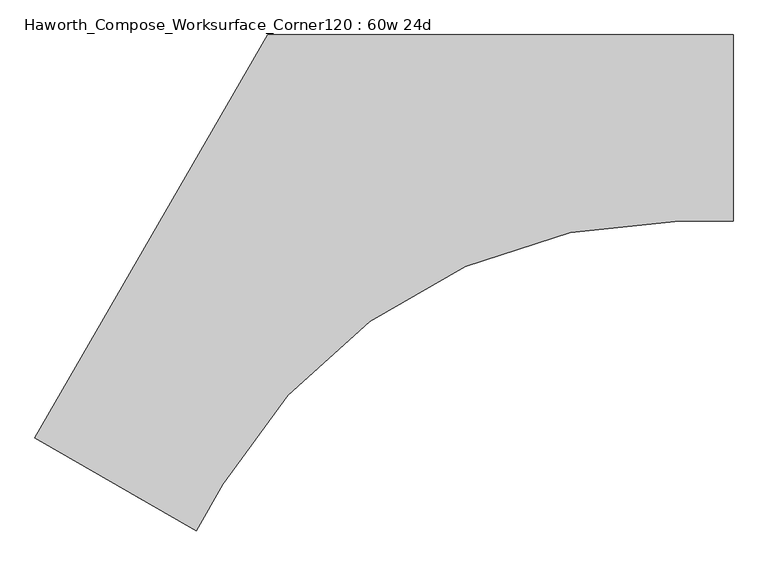
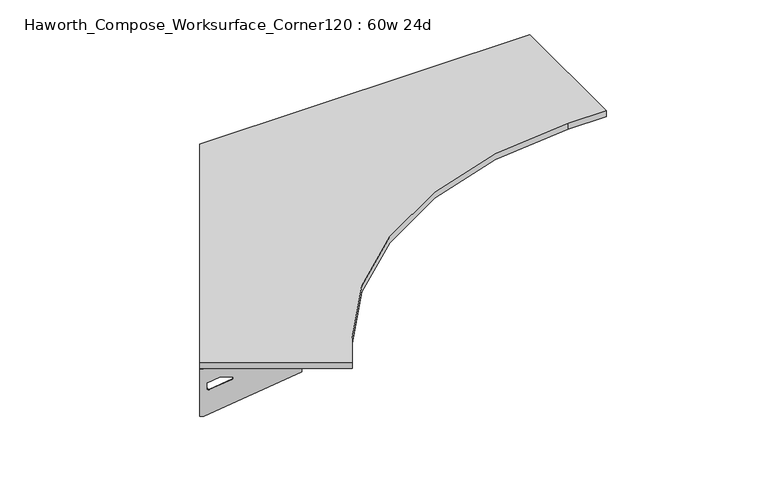
"""IFC4 building model written with IfcOpenShell, lengths in millimetres: furniture geometry, Haworth_Compose_Worksurface_Corner120 : 60w 24d."""

from ifc_helpers import new_model, si_unit, point, frame, frame_2d, origin, place, context, project, spatial, polyline, circle_curve, trimmed, segment, composite_curve, outline, extrude, source, transform, mapped, element, save
from ifc_brep_helpers import plane_surface, revolved_surface, advanced_brep


def haworth_compose_worksurface_corner120_60w_24d_9db3a5e5(model_context):
    return source(origin(), model_context, "Body", "SolidModel", [
        advanced_brep(
        [(759.61875, 304.8, 473.86875), (759.61875, 288.925, 473.86875), (759.61875, -101.6, 690.1317568), (759.61875, -101.6, 702.46875), (759.61875, 288.925, 702.46875), (759.61875, 304.8, 702.46875), (759.61875, 221.490072, 664.36875), (759.61875, 177.8355284, 664.36875), (759.61875, 175.1564235, 654.7830539), (759.61875, 266.8776173, 603.9901439), (759.61875, 276.225, 609.5881969), (759.61875, 276.225, 633.0985246), (759.61875, 274.4730055, 635.9367776), (759.61875, 224.5663437, 663.5738425), (762.0, 304.8, 473.86875), (762.0, 304.8, 702.46875), (762.0, 288.925, 702.46875), (762.0, 288.925, 704.85), (762.0, -101.6, 704.85), (762.0, -101.6, 690.1317568), (762.0, 288.925, 473.86875), (762.0, 221.490072, 664.36875), (762.0, 224.5663437, 663.5738425), (762.0, 274.4730055, 635.9367776), (762.0, 276.225, 633.0985246), (762.0, 276.225, 609.5881969), (762.0, 266.8776173, 603.9901439), (762.0, 175.1564235, 654.7830539), (762.0, 177.8355284, 664.36875), (720.725, -101.6, 704.85), (720.725, -101.6, 702.46875), (720.725, 288.925, 702.46875), (720.725, 288.925, 704.85)],
        [
            (0, 1),
            (1, 2),
            (2, 3),
            (3, 4),
            (4, 5),
            (5, 0),
            (6, 7),
            (7, 8, circle_curve(frame((759.61875, 177.8355284, 659.2015106), z_axis=(1.0, 0.0, 0.0), x_axis=(0.0, -1.0, 0.0)), 5.1672394)),
            (8, 9),
            (9, 10, circle_curve(frame((759.61875, 269.875, 609.5881969), z_axis=(1.0, 0.0, 0.0), x_axis=(0.0, -1.0, 0.0)), 6.35)),
            (10, 11),
            (11, 12, circle_curve(frame((759.61875, 273.05, 633.0985246), z_axis=(1.0, 0.0, 0.0), x_axis=(0.0, -1.0, 0.0)), 3.175)),
            (12, 13),
            (13, 6, circle_curve(frame((759.61875, 221.490072, 658.01875), z_axis=(1.0, 0.0, 0.0), x_axis=(0.0, -1.0, 0.0)), 6.35)),
            (14, 15),
            (15, 16),
            (16, 17),
            (17, 18),
            (18, 19),
            (19, 20),
            (20, 14),
            (21, 22, circle_curve(frame((762.0, 221.490072, 658.01875), z_axis=(-1.0, 0.0, 0.0), x_axis=(0.0, -1.0, 0.0)), 6.35)),
            (22, 23),
            (23, 24, circle_curve(frame((762.0, 273.05, 633.0985246), z_axis=(-1.0, 0.0, 0.0), x_axis=(0.0, -1.0, 0.0)), 3.175)),
            (24, 25),
            (25, 26, circle_curve(frame((762.0, 269.875, 609.5881969), z_axis=(-1.0, 0.0, 0.0), x_axis=(0.0, -1.0, 0.0)), 6.35)),
            (26, 27),
            (27, 28, circle_curve(frame((762.0, 177.8355284, 659.2015106), z_axis=(-1.0, 0.0, 0.0), x_axis=(0.0, -1.0, 0.0)), 5.1672394)),
            (28, 21),
            (4, 16),
            (15, 5),
            (14, 0),
            (20, 1),
            (19, 2),
            (18, 29),
            (29, 30),
            (30, 3),
            (6, 21),
            (28, 7),
            (9, 26),
            (25, 10),
            (24, 11),
            (23, 12),
            (27, 8),
            (31, 4),
            (30, 31),
            (32, 29),
            (17, 32),
            (31, 32),
            (22, 13),
        ],
        [
            plane_surface(frame((759.61875, 304.8, 473.86875), z_axis=(-1.0, 0.0, 0.0), x_axis=(0.0, 1.0, 0.0))),
            plane_surface(frame((762.0, 304.8, 473.86875), z_axis=(1.0, 0.0, 0.0), x_axis=(0.0, -1.0, 0.0))),
            plane_surface(frame((762.0, -101.6, 702.46875), z_axis=(0.0, 0.0, 1.0), x_axis=(-1.0, 0.0, 0.0))),
            plane_surface(frame((762.0, 304.8, 702.46875), z_axis=(0.0, 1.0, 0.0), x_axis=(-1.0, 0.0, 0.0))),
            plane_surface(frame((762.0, 304.8, 473.86875), z_axis=(0.0, 0.0, -1.0), x_axis=(-1.0, 0.0, 0.0))),
            plane_surface(frame((762.0, 288.925, 473.86875), z_axis=(0.0, -0.4844522351345575, -0.8748177135112957), x_axis=(-1.0, 0.0, 0.0))),
            plane_surface(frame((762.0, -101.6, 690.1317568), z_axis=(0.0, -1.0, 0.0), x_axis=(-1.0, 0.0, 0.0))),
            plane_surface(frame((762.0, 221.490072, 664.36875), z_axis=(0.0, 0.0, -1.0), x_axis=(-1.0, 0.0, 0.0))),
            revolved_surface(polyline([(759.61875, 263.525, 609.5881969), (762.0, 263.525, 609.5881969)]), (762.0, 269.875, 609.5881969), (-1.0, 0.0, 0.0)),
            plane_surface(frame((762.0, 276.225, 609.5881969), z_axis=(0.0, -1.0, 0.0), x_axis=(-1.0, 0.0, 0.0))),
            revolved_surface(polyline([(759.61875, 269.875, 633.0985246), (762.0, 269.875, 633.0985246)]), (762.0, 273.05, 633.0985246), (-1.0, 0.0, 0.0)),
            revolved_surface(polyline([(759.61875, 172.668289, 659.2015106), (762.0, 172.668289, 659.2015106)]), (762.0, 177.8355284, 659.2015106), (-1.0, 0.0, 0.0)),
            plane_surface(frame((762.0, 288.925, 702.46875), z_axis=(0.0, 0.0, -1.0), x_axis=(-1.0, 0.0, 0.0))),
            plane_surface(frame((762.0, 288.925, 704.85), z_axis=(0.0, 0.0, 1.0), x_axis=(1.0, 0.0, 0.0))),
            plane_surface(frame((720.725, 288.925, 704.85), z_axis=(0.0, 1.0, 0.0), x_axis=(0.0, 0.0, -1.0))),
            plane_surface(frame((720.725, -101.6, 704.85), z_axis=(-1.0, 0.0, 0.0), x_axis=(0.0, 0.0, -1.0))),
            plane_surface(frame((762.0, 175.1564235, 654.7830539), z_axis=(0.0, 0.4844522351341526, 0.8748177135115199), x_axis=(-1.0, 0.0, 0.0))),
            plane_surface(frame((762.0, 274.4730055, 635.9367776), z_axis=(0.0, -0.48445223513456226, -0.874817713511293), x_axis=(-1.0, 0.0, 0.0))),
            revolved_surface(polyline([(759.61875, 215.140072, 658.01875), (762.0, 215.140072, 658.01875)]), (762.0, 221.490072, 658.01875), (-1.0, 0.0, 0.0)),
        ],
        [
            (0, [[1, 2, 3, 4, 5, 6], [7, 8, 9, 10, 11, 12, 13, 14]]),
            (1, [[15, 16, 17, 18, 19, 20, 21], [22, 23, 24, 25, 26, 27, 28, 29]]),
            (2, [[-5, 30, -16, 31]]),
            (3, [[-31, -15, 32, -6]]),
            (4, [[-32, -21, 33, -1]]),
            (5, [[-33, -20, 34, -2]]),
            (6, [[-34, -19, 35, 36, 37, -3]]),
            (7, [[38, -29, 39, -7]]),
            (8, [[40, -26, 41, -10]]),
            (9, [[-41, -25, 42, -11]]),
            (10, [[-42, -24, 43, -12]]),
            (11, [[-39, -28, 44, -8]]),
            (12, [[45, -4, -37, 46]]),
            (13, [[47, -35, -18, 48]]),
            (14, [[-17, -30, -45, 49, -48]]),
            (15, [[-36, -47, -49, -46]]),
            (16, [[-44, -27, -40, -9]]),
            (17, [[-43, -23, 50, -13]]),
            (18, [[-50, -22, -38, -14]]),
        ],
    ),
        advanced_brep(
        [(-1522.809375, -1012.9604924, 473.86875), (-1522.809375, -1012.9604924, 702.46875), (-1509.0612217, -1020.8979924, 702.46875), (-1170.8566509, -1216.1604924, 702.46875), (-1170.8566509, -1216.1604924, 690.1317568), (-1509.0612217, -1020.8979924, 473.86875), (-1450.660861, -1054.6154564, 664.36875), (-1453.3249904, -1053.0773205, 663.5738425), (-1496.5454274, -1028.1239896, 635.9367776), (-1498.0626991, -1027.2479924, 633.0985246), (-1498.0626991, -1027.2479924, 609.5881969), (-1489.9676282, -1031.9216837, 603.9901439), (-1410.5347443, -1077.7822806, 654.7830539), (-1412.8549172, -1076.4427282, 664.36875), (-1524.0, -1015.0227154, 473.86875), (-1510.2518467, -1022.9602154, 473.86875), (-1172.0472759, -1218.2227154, 690.1317568), (-1172.0472759, -1218.2227154, 704.85), (-1510.2518467, -1022.9602154, 704.85), (-1510.2518467, -1022.9602154, 702.46875), (-1524.0, -1015.0227154, 702.46875), (-1451.851486, -1056.6776794, 664.36875), (-1414.0455422, -1078.5049512, 664.36875), (-1411.7253693, -1079.8445036, 654.7830539), (-1491.1582532, -1033.9839067, 603.9901439), (-1499.2533241, -1029.3102154, 609.5881969), (-1499.2533241, -1029.3102154, 633.0985246), (-1497.7360524, -1030.1862126, 635.9367776), (-1454.5156154, -1055.1395435, 663.5738425), (-1151.4097759, -1182.4775168, 702.46875), (-1151.4097759, -1182.4775168, 704.85), (-1489.6143467, -987.2150168, 702.46875), (-1489.6143467, -987.2150168, 704.85)],
        [
            (0, 1),
            (1, 2),
            (2, 3),
            (3, 4),
            (4, 5),
            (5, 0),
            (6, 7, circle_curve(frame((-1450.660861, -1054.6154564, 658.01875), z_axis=(-0.5000000000000026, -0.8660254037844374, 0.0), x_axis=(0.8660254037844372, -0.5000000000000024, 0.0)), 6.35)),
            (7, 8),
            (8, 9, circle_curve(frame((-1495.3130684, -1028.8354924, 633.0985246), z_axis=(-0.5000000000000026, -0.8660254037844374, 0.0), x_axis=(0.8660254037844372, -0.5000000000000024, 0.0)), 3.175)),
            (9, 10),
            (10, 11, circle_curve(frame((-1492.5634378, -1030.4229924, 609.5881969), z_axis=(-0.5000000000000026, -0.8660254037844374, 0.0), x_axis=(0.8660254037844372, -0.5000000000000024, 0.0)), 6.35)),
            (11, 12),
            (12, 13, circle_curve(frame((-1412.8549172, -1076.4427282, 659.2015106), z_axis=(-0.5000000000000026, -0.8660254037844374, 0.0), x_axis=(0.8660254037844372, -0.5000000000000024, 0.0)), 5.1672394)),
            (13, 6),
            (14, 15),
            (15, 16),
            (16, 17),
            (17, 18),
            (18, 19),
            (19, 20),
            (20, 14),
            (21, 22),
            (22, 23, circle_curve(frame((-1414.0455422, -1078.5049512, 659.2015106), z_axis=(0.5000000000000026, 0.8660254037844374, 0.0), x_axis=(0.8660254037844372, -0.5000000000000024, 0.0)), 5.1672394)),
            (23, 24),
            (24, 25, circle_curve(frame((-1493.7540628, -1032.4852154, 609.5881969), z_axis=(0.5000000000000026, 0.8660254037844374, 0.0), x_axis=(0.8660254037844372, -0.5000000000000024, 0.0)), 6.35)),
            (25, 26),
            (26, 27, circle_curve(frame((-1496.5036934, -1030.8977154, 633.0985246), z_axis=(0.5000000000000026, 0.8660254037844374, 0.0), x_axis=(0.8660254037844372, -0.5000000000000024, 0.0)), 3.175)),
            (27, 28),
            (28, 21, circle_curve(frame((-1451.851486, -1056.6776794, 658.01875), z_axis=(0.5000000000000026, 0.8660254037844374, 0.0), x_axis=(0.8660254037844372, -0.5000000000000024, 0.0)), 6.35)),
            (1, 20),
            (19, 2),
            (0, 14),
            (5, 15),
            (4, 16),
            (3, 29),
            (29, 30),
            (30, 17),
            (13, 22),
            (21, 6),
            (10, 25),
            (24, 11),
            (9, 26),
            (8, 27),
            (12, 23),
            (31, 29),
            (2, 31),
            (32, 18),
            (30, 32),
            (32, 31),
            (7, 28),
        ],
        [
            plane_surface(frame((-1522.809375, -1012.9604924, 473.86875), z_axis=(0.5000000000000026, 0.8660254037844373, 0.0), x_axis=(-0.8660254037844373, 0.5000000000000026, 0.0))),
            plane_surface(frame((-1524.0, -1015.0227154, 473.86875), z_axis=(-0.5000000000000026, -0.8660254037844373, 0.0), x_axis=(0.8660254037844373, -0.5000000000000026, 0.0))),
            plane_surface(frame((-1172.0472759, -1218.2227154, 702.46875), z_axis=(0.0, 0.0, 1.0), x_axis=(0.5000000000000011, 0.866025403784438, 0.0))),
            plane_surface(frame((-1524.0, -1015.0227154, 702.46875), z_axis=(-0.866025403784438, 0.5000000000000011, 0.0), x_axis=(0.5000000000000011, 0.866025403784438, 0.0))),
            plane_surface(frame((-1524.0, -1015.0227154, 473.86875), z_axis=(0.0, 0.0, -1.0), x_axis=(0.5000000000000011, 0.866025403784438, 0.0))),
            plane_surface(frame((-1510.2518467, -1022.9602154, 473.86875), z_axis=(0.41954794254667943, -0.24222611756727808, -0.8748177135112957), x_axis=(0.5000000000000011, 0.866025403784438, 0.0))),
            plane_surface(frame((-1172.0472759, -1218.2227154, 690.1317568), z_axis=(0.866025403784438, -0.5000000000000011, 0.0), x_axis=(0.5000000000000011, 0.866025403784438, 0.0))),
            plane_surface(frame((-1451.851486, -1056.6776794, 664.36875), z_axis=(0.0, 0.0, -1.0), x_axis=(0.5000000000000011, 0.866025403784438, 0.0))),
            revolved_surface(polyline([(-1487.0641764519498, -1033.5979923483158, 609.5881969), (-1488.2548014859688, -1035.6602154, 609.5881969)]), (-1493.7540628, -1032.4852154, 609.5881969), (0.5000000000000024, 0.8660254037844372, 0.0)),
            plane_surface(frame((-1499.2533241, -1029.3102154, 609.5881969), z_axis=(0.866025403784438, -0.5000000000000011, 0.0), x_axis=(0.5000000000000011, 0.866025403784438, 0.0))),
            revolved_surface(polyline([(-1492.56343773985, -1030.4229924018098, 633.0985246), (-1493.7540627537305, -1032.485215418613, 633.0985246)]), (-1496.5036934, -1030.8977154, 633.0985246), (0.5000000000000024, 0.8660254037844372, 0.0)),
            revolved_surface(polyline([(-1408.3799565880802, -1079.0263478655236, 659.2015106), (-1409.5705816121642, -1081.0885709000001, 659.2015106)]), (-1414.0455422, -1078.5049512, 659.2015106), (0.5000000000000024, 0.8660254037844372, 0.0)),
            plane_surface(frame((-1510.2518467, -1022.9602154, 702.46875), z_axis=(0.0, 0.0, -1.0), x_axis=(0.5000000000000011, 0.866025403784438, 0.0))),
            plane_surface(frame((-1510.2518467, -1022.9602154, 704.85), z_axis=(0.0, 0.0, 1.0), x_axis=(-0.5000000000000011, -0.866025403784438, 0.0))),
            plane_surface(frame((-1489.6143467, -987.2150168, 704.85), z_axis=(-0.866025403784438, 0.5000000000000011, 0.0), x_axis=(0.0, 0.0, -1.0))),
            plane_surface(frame((-1151.4097759, -1182.4775168, 704.85), z_axis=(0.5000000000000011, 0.866025403784438, 0.0), x_axis=(0.0, 0.0, -1.0))),
            plane_surface(frame((-1411.7253693, -1079.8445036, 654.7830539), z_axis=(-0.41954794254632877, 0.24222611756707563, 0.87481771351152), x_axis=(0.5000000000000011, 0.866025403784438, 0.0))),
            plane_surface(frame((-1497.7360524, -1030.1862126, 635.9367776), z_axis=(0.4195479425466836, -0.24222611756728046, -0.874817713511293), x_axis=(0.5000000000000011, 0.866025403784438, 0.0))),
            revolved_surface(polyline([(-1445.161599650898, -1057.790456346494, 658.01875), (-1446.3522246859688, -1059.8526794, 658.01875)]), (-1451.851486, -1056.6776794, 658.01875), (0.5000000000000024, 0.8660254037844372, 0.0)),
        ],
        [
            (0, [[1, 2, 3, 4, 5, 6], [7, 8, 9, 10, 11, 12, 13, 14]]),
            (1, [[15, 16, 17, 18, 19, 20, 21], [22, 23, 24, 25, 26, 27, 28, 29]]),
            (2, [[30, -20, 31, -2]]),
            (3, [[-1, 32, -21, -30]]),
            (4, [[-6, 33, -15, -32]]),
            (5, [[-5, 34, -16, -33]]),
            (6, [[-4, 35, 36, 37, -17, -34]]),
            (7, [[-14, 38, -22, 39]]),
            (8, [[-11, 40, -25, 41]]),
            (9, [[-10, 42, -26, -40]]),
            (10, [[-9, 43, -27, -42]]),
            (11, [[-13, 44, -23, -38]]),
            (12, [[45, -35, -3, 46]]),
            (13, [[47, -18, -37, 48]]),
            (14, [[-47, 49, -46, -31, -19]]),
            (15, [[-45, -49, -48, -36]]),
            (16, [[-12, -41, -24, -44]]),
            (17, [[-8, 50, -28, -43]]),
            (18, [[-7, -39, -29, -50]]),
        ],
    ),
        extrude(outline(composite_curve([segment(polyline([(-1524.0, -1015.0227154), (-762.0, 304.8), (762.0, 304.8), (762.0, -304.8), (587.152109, -304.8)]), True, "CONTINUOUS"), segment(trimmed(circle_curve(frame_2d((587.152109, -2032.0)), 1727.2), [point((587.152109, -304.8))], [point((-908.6469684, -1168.4))], True, "CARTESIAN"), True, "CONTINUOUS"), segment(polyline([(-908.6469684, -1168.4), (-996.0709139, -1319.8227154), (-1524.0, -1015.0227154)]), True, "CONTINUOUS")], self_intersect=False)), frame((0.0, 0.0, 706.4375), z_axis=(0.0, 0.0, 1.0), x_axis=(1.0, 0.0, 0.0)), (0.0, 0.0, 1.0), 30.1625),
    ])


if __name__ == "__main__":
    model = new_model("IFC4")
    model_context = context("Model", 3, world=origin())
    ifc_project = project(units=[si_unit("LENGTHUNIT", "METRE", prefix="MILLI")], contexts=[model_context])
    site = spatial("IfcSite", under=ifc_project)
    building = spatial("IfcBuilding", under=site)
    placement = place(None, origin())
    haworth_compose_worksurface_corner120_60w_24d_shape = haworth_compose_worksurface_corner120_60w_24d_9db3a5e5(model_context)
    element("IfcFurniture", 1, ObjectType="Haworth_Compose_Worksurface_Corner120 : 60w 24d", at=placement, inside=building, context=model_context, shape_type="MappedRepresentation", body=[
        mapped(haworth_compose_worksurface_corner120_60w_24d_shape, transform((0.0, 0.0, 0.0), x_axis=(1.0, 0.0, 0.0), y_axis=(0.0, 1.0, 0.0), z_axis=(0.0, 0.0, 1.0))),
    ])
    save(model, "model.ifc")
